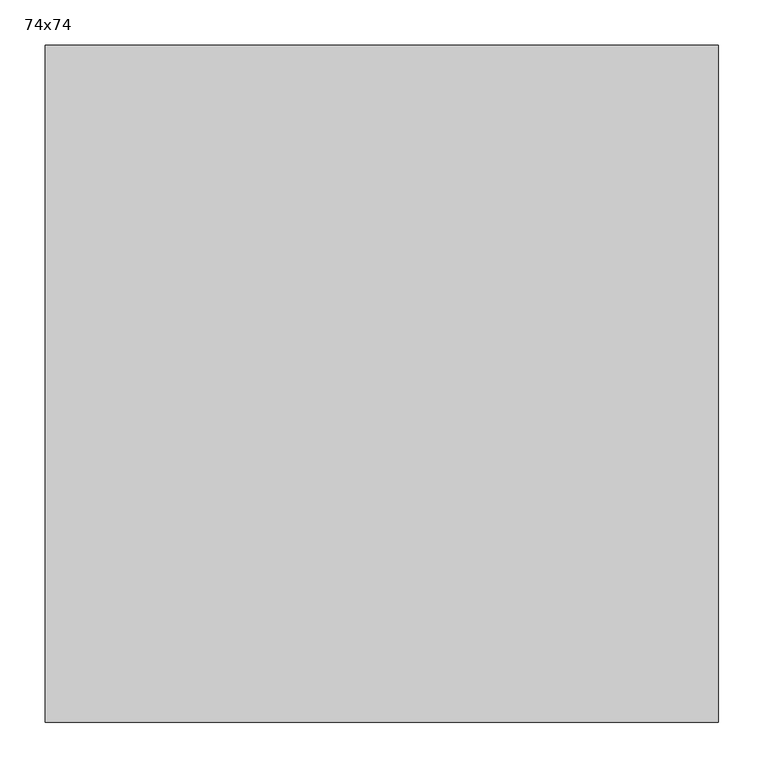
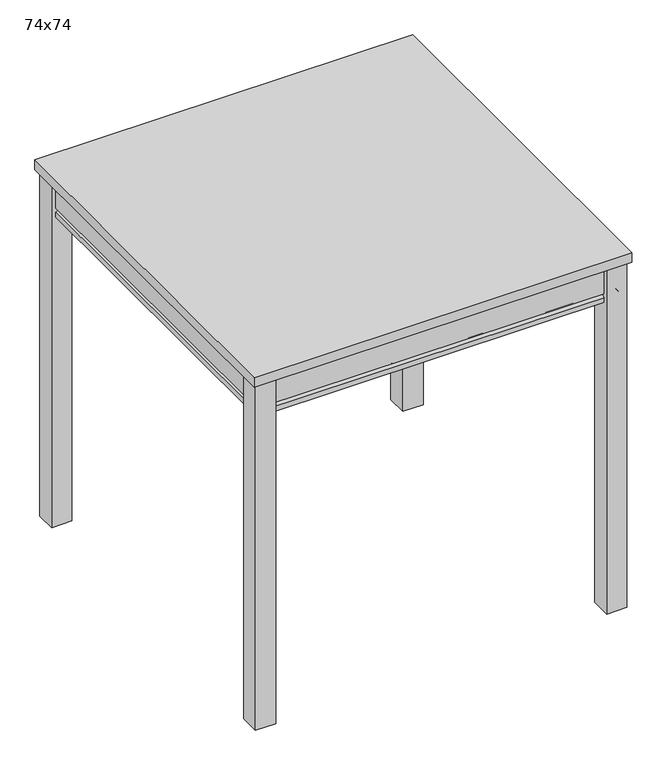
"""IFC4 building model written with IfcOpenShell, lengths in millimetres: furniture geometry, 74x74."""

from ifc_helpers import new_model, si_unit, frame, origin, origin_with_axes, place, context, project, spatial, polyline, ellipse_curve, outline, extrude, source, transform, mapped, element, save
from ifc_brep_helpers import plane_surface, revolved_surface, advanced_brep


def furniture_74x74_3b80754d(model_context):
    return source(origin(), model_context, "Body", "SolidModel", [
        extrude(outline(polyline([(324.0, 366.0), (364.0, 366.0), (364.0, 326.0), (324.0, 326.0), (324.0, 366.0)])), origin_with_axes(), (0.0, 0.0, 1.0), 716.0),
        extrude(outline(polyline([(324.0, -326.0), (364.0, -326.0), (364.0, -366.0), (324.0, -366.0), (324.0, -326.0)])), origin_with_axes(), (0.0, 0.0, 1.0), 716.0),
        extrude(outline(polyline([(-324.0, 366.0), (-324.0, 326.0), (-364.0, 326.0), (-364.0, 366.0), (-324.0, 366.0)])), origin_with_axes(), (0.0, 0.0, 1.0), 716.0),
        extrude(outline(polyline([(-324.0, -326.0), (-324.0, -366.0), (-364.0, -366.0), (-364.0, -326.0), (-324.0, -326.0)])), origin_with_axes(), (0.0, 0.0, 1.0), 716.0),
        advanced_brep(
        [(-356.0, -358.0, 716.0), (-356.0, -358.0, 659.0), (356.0, -358.0, 659.0), (356.0, -358.0, 716.0), (-341.0, -343.0, 641.0), (-341.0, -343.0, 716.0), (341.0, -343.0, 716.0), (341.0, -343.0, 641.0), (-356.0, -358.0, 651.0), (-356.0, -358.0, 641.0), (356.0, -358.0, 641.0), (356.0, -358.0, 651.0), (356.0, 358.0, 659.0), (356.0, 358.0, 716.0), (341.0, 343.0, 716.0), (341.0, 343.0, 641.0), (356.0, 358.0, 641.0), (356.0, 358.0, 651.0), (-356.0, 358.0, 659.0), (-356.0, 358.0, 716.0), (-341.0, 343.0, 716.0), (-341.0, 343.0, 641.0), (-356.0, 358.0, 641.0), (-356.0, 358.0, 651.0)],
        [
            (0, 1),
            (1, 2),
            (2, 3),
            (3, 0),
            (4, 5),
            (5, 6),
            (6, 7),
            (7, 4),
            (8, 9),
            (9, 10),
            (10, 11),
            (11, 8),
            (1, 8, ellipse_curve(frame((-356.0, -358.0, 655.0), z_axis=(-0.7071067811865457, 0.7071067811865492, 0.0), x_axis=(0.7071067811865493, 0.7071067811865456, 0.0)), 5.6568542, 4.0)),
            (11, 2, ellipse_curve(frame((356.0, -358.0, 655.0), z_axis=(0.7071067811865492, 0.7071067811865457, 0.0), x_axis=(0.7071067811865458, -0.7071067811865492, 0.0)), 5.6568542, 4.0)),
            (2, 12),
            (12, 13),
            (13, 3),
            (6, 14),
            (14, 15),
            (15, 7),
            (10, 16),
            (16, 17),
            (17, 11),
            (17, 12, ellipse_curve(frame((356.0, 358.0, 655.0), z_axis=(-0.7071067811865457, 0.7071067811865492, 0.0), x_axis=(0.7071067811865491, 0.7071067811865458, 0.0)), 5.6568542, 4.0)),
            (12, 18),
            (18, 19),
            (19, 13),
            (14, 20),
            (20, 21),
            (21, 15),
            (16, 22),
            (22, 23),
            (23, 17),
            (23, 18, ellipse_curve(frame((-356.0, 358.0, 655.0), z_axis=(-0.7071067811865492, -0.7071067811865457, 0.0), x_axis=(-0.707106781186546, 0.7071067811865491, 0.0)), 5.6568542, 4.0)),
            (18, 1),
            (0, 19),
            (5, 20),
            (4, 21),
            (9, 22),
            (8, 23),
        ],
        [
            plane_surface(frame((-356.0, -358.0, 659.0), z_axis=(0.0, -1.0, 0.0), x_axis=(1.0, 0.0, 0.0))),
            plane_surface(frame((-341.0, -343.0, 716.0), z_axis=(0.0, 1.0, 0.0), x_axis=(1.0, 0.0, 0.0))),
            plane_surface(frame((-356.0, -358.0, 641.0), z_axis=(0.0, -1.0, 0.0), x_axis=(1.0, 0.0, 0.0))),
            revolved_surface(polyline([(359.99999996500355, -354.0, 655.0), (-359.9999999650036, -354.0, 655.0)]), (-356.0, -358.0, 655.0), (1.0, 0.0, 0.0)),
            plane_surface(frame((356.0, -358.0, 659.0), z_axis=(1.0, 0.0, 0.0), x_axis=(0.0, 1.0, 0.0))),
            plane_surface(frame((341.0, -343.0, 716.0), z_axis=(-1.0, 0.0, 0.0), x_axis=(0.0, 1.0, 0.0))),
            plane_surface(frame((356.0, -358.0, 641.0), z_axis=(1.0, 0.0, 0.0), x_axis=(0.0, 1.0, 0.0))),
            revolved_surface(polyline([(352.0, 361.99999996500355, 655.0), (352.0, -361.9999999650036, 655.0)]), (356.0, -358.0, 655.0), (0.0, 1.0, 0.0)),
            plane_surface(frame((356.0, 358.0, 659.0), z_axis=(0.0, 1.0, 0.0), x_axis=(-1.0, 0.0, 0.0))),
            plane_surface(frame((341.0, 343.0, 716.0), z_axis=(0.0, -1.0, 0.0), x_axis=(-1.0, 0.0, 0.0))),
            plane_surface(frame((356.0, 358.0, 641.0), z_axis=(0.0, 1.0, 0.0), x_axis=(-1.0, 0.0, 0.0))),
            revolved_surface(polyline([(-359.99999996500355, 354.0, 655.0), (359.9999999650036, 354.0, 655.0)]), (356.0, 358.0, 655.0), (-1.0, 0.0, 0.0)),
            plane_surface(frame((-356.0, 358.0, 659.0), z_axis=(-1.0, 0.0, 0.0), x_axis=(0.0, -1.0, 0.0))),
            plane_surface(frame((-356.0, 358.0, 716.0), z_axis=(0.0, 0.0, 1.0), x_axis=(0.0, -1.0, 0.0))),
            plane_surface(frame((-341.0, 343.0, 716.0), z_axis=(1.0, 0.0, 0.0), x_axis=(0.0, -1.0, 0.0))),
            plane_surface(frame((-341.0, 343.0, 641.0), z_axis=(0.0, 0.0, -1.0), x_axis=(0.0, -1.0, 0.0))),
            plane_surface(frame((-356.0, 358.0, 641.0), z_axis=(-1.0, 0.0, 0.0), x_axis=(0.0, -1.0, 0.0))),
            revolved_surface(polyline([(-352.0, -361.99999996500355, 655.0), (-352.0, 361.9999999650036, 655.0)]), (-356.0, 358.0, 655.0), (0.0, -1.0, 0.0)),
        ],
        [
            (0, [[1, 2, 3, 4]]),
            (1, [[5, 6, 7, 8]]),
            (2, [[9, 10, 11, 12]]),
            (3, [[13, -12, 14, -2]]),
            (4, [[-3, 15, 16, 17]]),
            (5, [[-7, 18, 19, 20]]),
            (6, [[-11, 21, 22, 23]]),
            (7, [[-14, -23, 24, -15]]),
            (8, [[-16, 25, 26, 27]]),
            (9, [[-19, 28, 29, 30]]),
            (10, [[-22, 31, 32, 33]]),
            (11, [[-24, -33, 34, -25]]),
            (12, [[-26, 35, -1, 36]]),
            (13, [[-17, -27, -36, -4], [37, -28, -18, -6]]),
            (14, [[-29, -37, -5, 38]]),
            (15, [[39, -31, -21, -10], [-20, -30, -38, -8]]),
            (16, [[-32, -39, -9, 40]]),
            (17, [[-34, -40, -13, -35]]),
        ],
    ),
        extrude(outline(polyline([(370.0, 372.0), (370.0, -372.0), (-370.0, -372.0), (-370.0, 372.0), (370.0, 372.0)])), frame((0.0, 0.0, 716.0), z_axis=(0.0, 0.0, 1.0), x_axis=(1.0, 0.0, 0.0)), (0.0, 0.0, 1.0), 20.0),
    ])


if __name__ == "__main__":
    model = new_model("IFC4")
    model_context = context("Model", 3, world=origin())
    ifc_project = project(units=[si_unit("LENGTHUNIT", "METRE", prefix="MILLI")], contexts=[model_context])
    site = spatial("IfcSite", under=ifc_project)
    building = spatial("IfcBuilding", under=site)
    placement = place(None, origin())
    furniture_74x74_shape = furniture_74x74_3b80754d(model_context)
    element("IfcFurniture", 1, ObjectType="74x74", at=placement, inside=building, context=model_context, shape_type="MappedRepresentation", body=[
        mapped(furniture_74x74_shape, transform((0.0, 0.0, 0.0), x_axis=(1.0, 0.0, 0.0), y_axis=(0.0, 1.0, 0.0), z_axis=(0.0, 0.0, 1.0))),
    ])
    save(model, "model.ifc")
